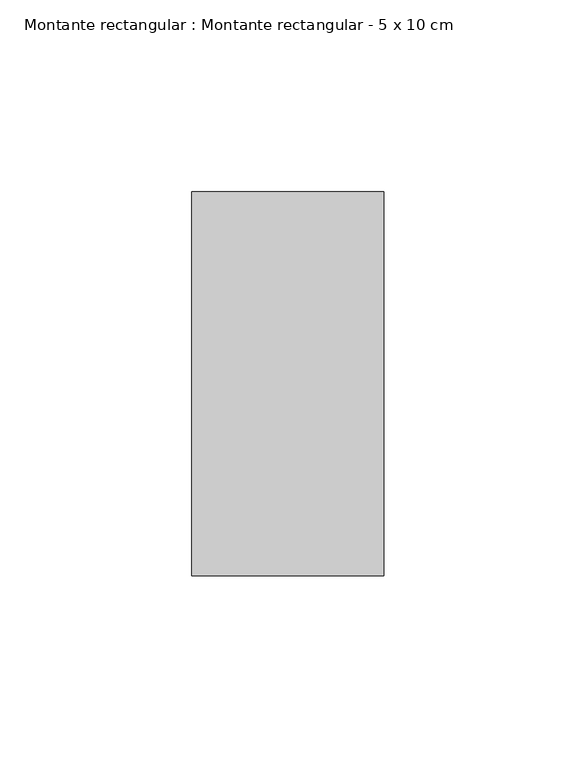
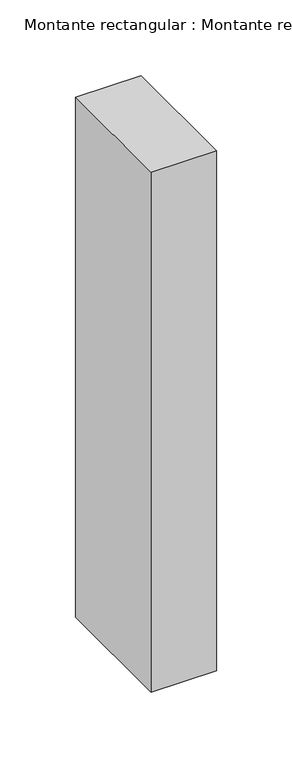
"""IFC4 building model written with IfcOpenShell, lengths in millimetres: member geometry, Montante rectangular : Montante rectangular - 5 x 10 cm."""

from ifc_helpers import new_model, si_unit, frame, origin, place, context, project, spatial, polyline, outline, extrude, source, transform, mapped, element, save


def montante_rectangular_montante_rectangular_5_x_10_cm_8fcb4167(model_context):
    return source(origin(), model_context, "Body", "SweptSolid", [
        extrude(outline(polyline([(-50.0, 50.0), (0.0, 50.0), (0.0, -50.0), (-50.0, -50.0), (-50.0, 50.0)])), frame((0.0, 0.0, -420.0), z_axis=(0.0, 0.0, 1.0), x_axis=(1.0, 0.0, 0.0)), (0.0, 0.0, 1.0), 420.0),
    ])


if __name__ == "__main__":
    model = new_model("IFC4")
    model_context = context("Model", 3, world=origin())
    ifc_project = project(units=[si_unit("LENGTHUNIT", "METRE", prefix="MILLI")], contexts=[model_context])
    site = spatial("IfcSite", under=ifc_project)
    building = spatial("IfcBuilding", under=site)
    placement = place(None, origin())
    montante_rectangular_montante_rectangular_5_x_10_cm_shape = montante_rectangular_montante_rectangular_5_x_10_cm_8fcb4167(model_context)
    element("IfcMember", 1, ObjectType="Montante rectangular : Montante rectangular - 5 x 10 cm", at=placement, inside=building, context=model_context, shape_type="MappedRepresentation", body=[
        mapped(montante_rectangular_montante_rectangular_5_x_10_cm_shape, transform((0.0, 0.0, 0.0), x_axis=(1.0, 0.0, 0.0), y_axis=(0.0, 1.0, 0.0), z_axis=(0.0, 0.0, 1.0))),
    ])
    save(model, "model.ifc")
